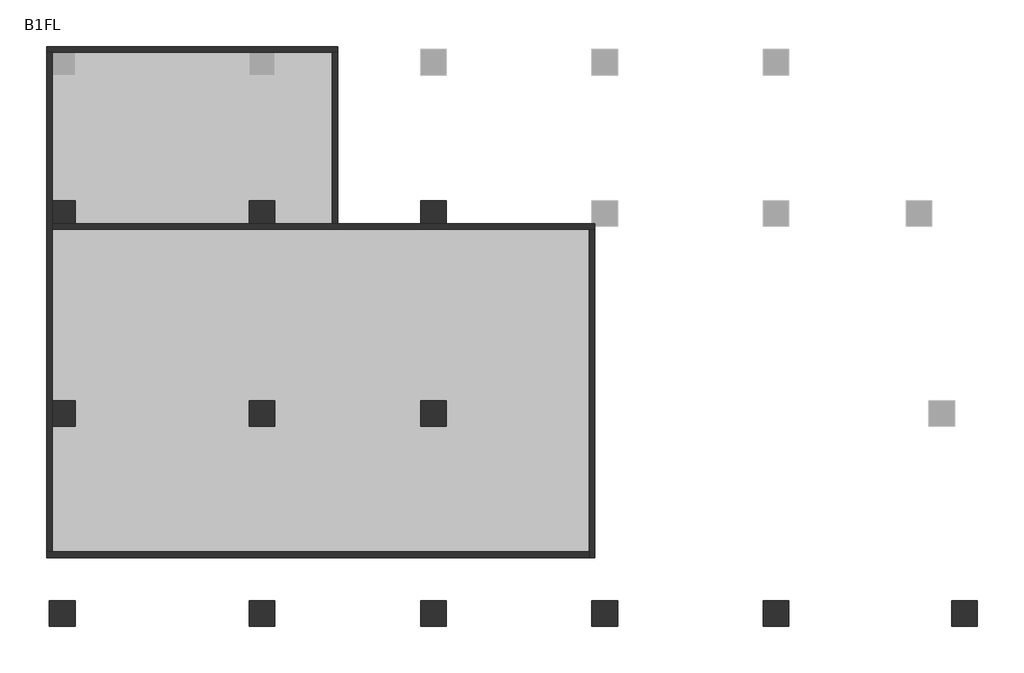
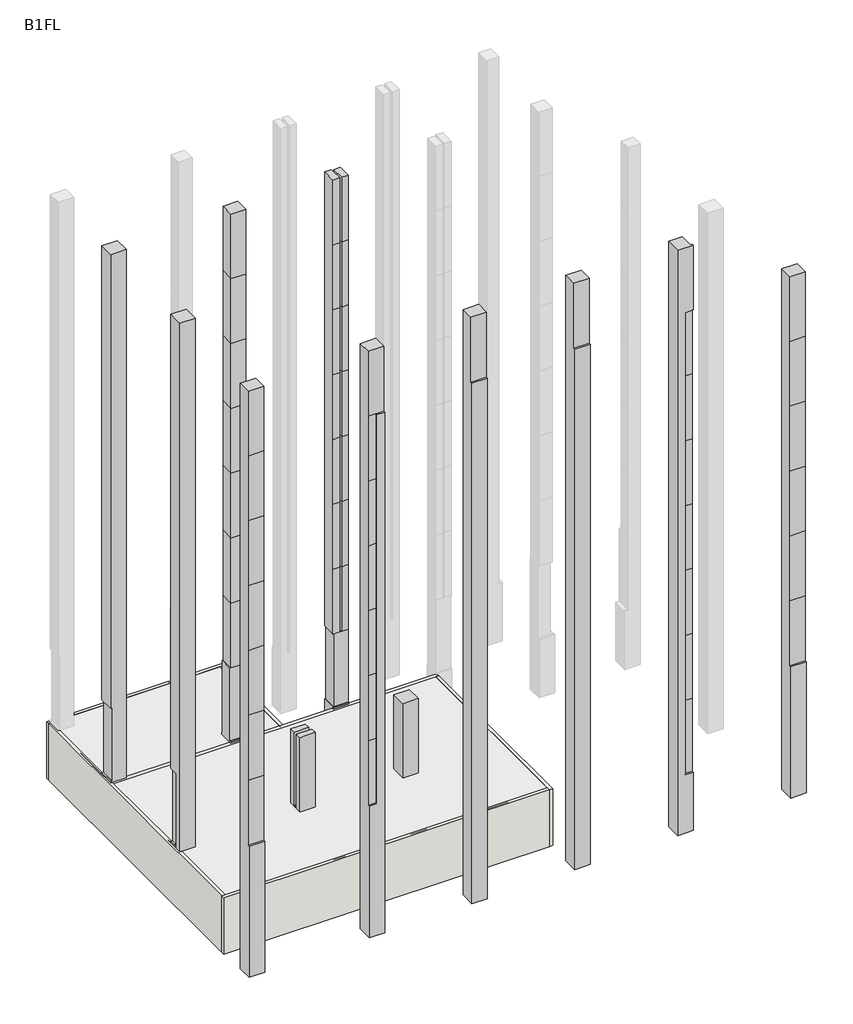
# One storey, part 1 of 2: 12 columns, 6 walls.
"""IFC4 building model written with IfcOpenShell, lengths in millimetres."""

from ifc_helpers import new_model, si_unit, frame, origin, place, context, project, spatial, polyline, outline, extrude, faceted_brep, element, save

model = new_model("IFC4")

# Units and contexts
model_context = context("Model", 3, world=origin())
ifc_project = project(units=[si_unit("LENGTHUNIT", "METRE", prefix="MILLI")], contexts=[model_context])

# Site, building, storey
site = spatial("IfcSite", under=ifc_project)
building = spatial("IfcBuilding", under=site)
storey = spatial("IfcBuildingStorey", under=building, Name="B1FL", Elevation=-3500.0)

# Columns
placement = place(None, origin())
element("IfcColumn", 1, ObjectType="900x900", at=placement, inside=storey, context=model_context, shape_type="Brep", body=[
    faceted_brep([(-27945.9784025, 10449.6868987, 32600.0), (-27945.9784025, 11349.6868987, 32600.0), (-28845.9784025, 11349.6868987, 32600.0), (-28845.9784025, 10449.6868987, 32600.0), (-28745.9784025, 11349.6868987, -3500.0), (-27945.9784025, 11349.6868987, -3500.0), (-27945.9784025, 10549.6868987, -3500.0), (-28745.9784025, 10549.6868987, -3500.0), (-27945.9784025, 10449.6868987, 0.0), (-27945.9784025, 10549.6868987, 0.0), (-27945.9784025, 11349.6868987, 100.0), (-27945.9784025, 11299.6868987, 100.0), (-27945.9784025, 11299.6868987, 4600.0), (-27945.9784025, 11349.6868987, 4600.0), (-28745.9784025, 11349.6868987, 4600.0), (-28845.9784025, 11349.6868987, 4600.0), (-28845.9784025, 10449.6868987, 4600.0), (-28745.9784025, 10449.6868987, 4600.0), (-28745.9784025, 10449.6868987, 100.0), (-28845.9784025, 10449.6868987, 100.0), (-28845.9784025, 10449.6868987, 0.0), (-28745.9784025, 10449.6868987, 0.0), (-28745.9784025, 11299.6868987, 4600.0), (-28745.9784025, 11299.6868987, 100.0), (-28745.9784025, 11349.6868987, 100.0), (-28845.9784025, 11349.6868987, 100.0), (-28845.9784025, 11349.6868987, 0.0), (-28845.9784025, 10549.6868987, 0.0), (-28745.9784025, 11349.6868987, 0.0), (-28745.9784025, 10549.6868987, 0.0)], [[[0, 1, 2, 3]], [[4, 5, 6, 7]], [[1, 0, 8, 9, 6, 5, 10, 11, 12, 13]], [[2, 1, 13, 14, 15]], [[3, 2, 15, 16]], [[0, 3, 16, 17, 18, 19, 20, 21, 8]], [[18, 17, 22, 23]], [[24, 25, 19, 18, 23]], [[15, 14, 22, 17, 16]], [[19, 25, 26, 27, 20]], [[11, 23, 22, 12]], [[23, 11, 10, 24]], [[12, 22, 14, 13]], [[25, 24, 10, 5, 4, 28, 26]], [[28, 4, 7, 29]], [[21, 20, 27, 26, 28, 29]], [[9, 29, 7, 6]], [[29, 9, 8, 21]]]),
])
element("IfcColumn", 2, ObjectType="900x900", at=placement, inside=storey, context=model_context, shape_type="Brep", body=[
    faceted_brep([(-27945.9784025, 3449.6868987, 32600.0), (-27945.9784025, 4349.6868987, 32600.0), (-28845.9784025, 4349.6868987, 32600.0), (-28845.9784025, 3449.6868987, 32600.0), (-27945.9784025, 4349.6868987, -3500.0), (-27945.9784025, 3449.6868987, -3500.0), (-28745.9784025, 3449.6868987, -3500.0), (-28745.9784025, 4349.6868987, -3500.0), (-27945.9784025, 3999.6868987, 4600.0), (-27945.9784025, 3999.6868987, 100.0), (-27945.9784025, 3799.6868987, 100.0), (-27945.9784025, 3799.6868987, 4600.0), (-28745.9784025, 4349.6868987, 0.0), (-28845.9784025, 4349.6868987, 0.0), (-28845.9784025, 4349.6868987, 100.0), (-28745.9784025, 4349.6868987, 100.0), (-28745.9784025, 4349.6868987, 4600.0), (-28845.9784025, 4349.6868987, 4600.0), (-28845.9784025, 3999.6868987, 4600.0), (-28845.9784025, 3799.6868987, 4600.0), (-28845.9784025, 3799.6868987, 100.0), (-28845.9784025, 3999.6868987, 100.0), (-28845.9784025, 3449.6868987, 0.0), (-28745.9784025, 3449.6868987, 0.0), (-28745.9784025, 3999.6868987, 4600.0), (-28745.9784025, 3999.6868987, 100.0)], [[[0, 1, 2, 3]], [[4, 5, 6, 7]], [[1, 0, 5, 4], [8, 9, 10, 11]], [[2, 1, 4, 7, 12, 13, 14, 15, 16, 17]], [[3, 2, 17, 18, 19, 20, 21, 14, 13, 22]], [[0, 3, 22, 23, 6, 5]], [[9, 8, 24, 25]], [[11, 10, 20, 19]], [[10, 9, 25, 21, 20]], [[8, 11, 19, 18, 24]], [[24, 16, 15, 25]], [[25, 15, 14, 21]], [[16, 24, 18, 17]], [[23, 12, 7, 6]], [[12, 23, 22, 13]]]),
])
element("IfcColumn", 3, ObjectType="900x900", at=placement, inside=storey, context=model_context, shape_type="SweptSolid", body=[
    extrude(outline(polyline([(-2650.3131013, -3500.0), (-3550.3131013, -3500.0), (-3550.3131013, 4600.0), (-3450.3131013, 4600.0), (-3450.3131013, 8600.0), (-3450.3131013, 12600.0), (-3450.3131013, 16600.0), (-3450.3131013, 20600.0), (-3450.3131013, 24600.0), (-3450.3131013, 28600.0), (-3450.3131013, 32600.0), (-2650.3131013, 32600.0), (-2650.3131013, -3500.0)])), frame((-28845.9784025, 0.0, 0.0), z_axis=(1.0, 0.0, 0.0), x_axis=(0.0, 1.0, 0.0)), (0.0, 0.0, 1.0), 900.0),
])
element("IfcColumn", 4, ObjectType="900x900", at=placement, inside=storey, context=model_context, shape_type="Brep", body=[
    faceted_brep([(-21795.9784025, 11299.6868987, 32600.0), (-21795.9784025, 10499.6868987, 32600.0), (-20945.9784025, 10499.6868987, 32600.0), (-20945.9784025, 11299.6868987, 32600.0), (-21845.9784025, 11349.6868987, -3500.0), (-20945.9784025, 11349.6868987, -3500.0), (-20945.9784025, 10549.6868987, -3500.0), (-21845.9784025, 10549.6868987, -3500.0), (-20945.9784025, 10499.6868987, 12600.0), (-20945.9784025, 10499.6868987, 8600.0), (-20945.9784025, 10499.6868987, 4600.0), (-20945.9784025, 10524.6868987, 4600.0), (-20945.9784025, 11299.6868987, 4600.0), (-20945.9784025, 11299.6868987, 8600.0), (-20945.9784025, 11299.6868987, 12600.0), (-20945.9784025, 11299.6868987, 16600.0), (-20945.9784025, 11299.6868987, 20600.0), (-20945.9784025, 11299.6868987, 24600.0), (-20945.9784025, 11299.6868987, 28600.0), (-20945.9784025, 10499.6868987, 28600.0), (-20945.9784025, 10499.6868987, 24600.0), (-20945.9784025, 10499.6868987, 20600.0), (-20945.9784025, 10499.6868987, 16600.0), (-21795.9784025, 10499.6868987, 12600.0), (-21795.9784025, 10499.6868987, 8600.0), (-20945.9784025, 10449.6868987, 100.0), (-21845.9784025, 10449.6868987, 100.0), (-21845.9784025, 10449.6868987, 0.0), (-20945.9784025, 10449.6868987, 0.0), (-21795.9784025, 11299.6868987, 12600.0), (-21795.9784025, 11299.6868987, 8600.0), (-21845.9784025, 10524.6868987, 100.0), (-21845.9784025, 10524.6868987, 4600.0), (-21845.9784025, 11299.6868987, 4600.0), (-21845.9784025, 11299.6868987, 100.0), (-21845.9784025, 11349.6868987, 100.0), (-21845.9784025, 10549.6868987, 0.0), (-20945.9784025, 11349.6868987, 100.0), (-21795.9784025, 10499.6868987, 4600.0), (-21795.9784025, 11299.6868987, 4600.0), (-21795.9784025, 10524.6868987, 4600.0), (-20995.9784025, 11299.6868987, 4600.0), (-21795.9784025, 10499.6868987, 16600.0), (-21795.9784025, 11299.6868987, 16600.0), (-21795.9784025, 10499.6868987, 20600.0), (-21795.9784025, 11299.6868987, 20600.0), (-21795.9784025, 10499.6868987, 24600.0), (-21795.9784025, 11299.6868987, 24600.0), (-21795.9784025, 10499.6868987, 28600.0), (-21795.9784025, 11299.6868987, 28600.0), (-20995.9784025, 10524.6868987, 100.0), (-20995.9784025, 10524.6868987, 4600.0), (-20945.9784025, 10524.6868987, 100.0), (-20995.9784025, 11299.6868987, 100.0), (-20945.9784025, 11299.6868987, 100.0), (-20945.9784025, 10549.6868987, 0.0)], [[[0, 1, 2, 3]], [[4, 5, 6, 7]], [[8, 9, 10, 11, 12, 13, 14, 15, 16, 17, 18, 3, 2, 19, 20, 21, 22]], [[9, 8, 23, 24]], [[25, 26, 27, 28]], [[24, 23, 29, 30]], [[31, 32, 33, 34, 35, 4, 7, 36, 27, 26]], [[14, 13, 30, 29]], [[5, 4, 35, 37]], [[10, 9, 24, 38]], [[24, 30, 39, 40, 38]], [[40, 39, 33, 32]], [[13, 12, 41, 39, 30]], [[8, 22, 42, 23]], [[29, 23, 42, 43]], [[15, 14, 29, 43]], [[22, 21, 44, 42]], [[43, 42, 44, 45]], [[16, 15, 43, 45]], [[21, 20, 46, 44]], [[45, 44, 46, 47]], [[17, 16, 45, 47]], [[20, 19, 48, 46]], [[47, 46, 48, 49]], [[18, 17, 47, 49]], [[49, 48, 1, 0]], [[0, 3, 18, 49]], [[2, 1, 48, 19]], [[32, 31, 50, 51, 40]], [[25, 52, 50, 31, 26]], [[11, 10, 38, 40, 51]], [[34, 33, 39, 41, 53]], [[54, 37, 35, 34, 53]], [[50, 53, 41, 51]], [[53, 50, 52, 54]], [[51, 41, 12, 11]], [[52, 25, 28, 55, 6, 5, 37, 54]], [[55, 36, 7, 6]], [[36, 55, 28, 27]]]),
])
element("IfcColumn", 5, ObjectType="900x900", at=placement, inside=storey, context=model_context, shape_type="Brep", body=[
    faceted_brep([(-21845.9784025, 3449.6868987, 4600.0), (-20945.9784025, 3449.6868987, 4600.0), (-20945.9784025, 3799.6868987, 4600.0), (-21845.9784025, 3799.6868987, 4600.0), (-20945.9784025, 3449.6868987, -3500.0), (-21845.9784025, 3449.6868987, -3500.0), (-21845.9784025, 4349.6868987, -3500.0), (-20945.9784025, 4349.6868987, -3500.0), (-20945.9784025, 4349.6868987, 100.0), (-20945.9784025, 3999.6868987, 100.0), (-20945.9784025, 3799.6868987, 100.0), (-21845.9784025, 4349.6868987, 4600.0), (-21020.9784025, 4349.6868987, 4600.0), (-21020.9784025, 4349.6868987, 100.0), (-21845.9784025, 3799.6868987, 100.0), (-21845.9784025, 3999.6868987, 100.0), (-21845.9784025, 3999.6868987, 4600.0), (-21020.9784025, 3999.6868987, 100.0), (-21020.9784025, 3999.6868987, 4600.0)], [[[0, 1, 2, 3]], [[4, 5, 6, 7]], [[4, 7, 8, 9, 10, 2, 1]], [[7, 6, 11, 12, 13, 8]], [[6, 5, 0, 3, 14, 15, 16, 11]], [[1, 0, 5, 4]], [[16, 15, 17, 18]], [[3, 2, 10, 14]], [[10, 9, 17, 15, 14]], [[11, 16, 18, 12]], [[17, 13, 12, 18]], [[13, 17, 9, 8]]]),
])
element("IfcColumn", 6, ObjectType="900x900", at=placement, inside=storey, context=model_context, shape_type="Brep", body=[
    faceted_brep([(-20945.9784025, -2650.3131013, 32600.0), (-21845.9784025, -2650.3131013, 32600.0), (-21845.9784025, -3450.3131013, 32600.0), (-20945.9784025, -3450.3131013, 32600.0), (-20945.9784025, -3550.3131013, -3500.0), (-21845.9784025, -3550.3131013, -3500.0), (-21845.9784025, -2650.3131013, -3500.0), (-20945.9784025, -2650.3131013, -3500.0), (-20945.9784025, -3450.3131013, 28600.0), (-20945.9784025, -3550.3131013, 28600.0), (-21845.9784025, -3550.3131013, 4600.0), (-21845.9784025, -3450.3131013, 4600.0), (-21845.9784025, -3450.3131013, 8600.0), (-21845.9784025, -3450.3131013, 12600.0), (-21845.9784025, -3450.3131013, 16600.0), (-21845.9784025, -3450.3131013, 20600.0), (-21845.9784025, -3450.3131013, 24600.0), (-21845.9784025, -3450.3131013, 28600.0), (-21395.9784025, -3550.3131013, 28600.0), (-21395.9784025, -3550.3131013, 24600.0), (-21395.9784025, -3550.3131013, 20600.0), (-21395.9784025, -3550.3131013, 16600.0), (-21395.9784025, -3550.3131013, 12600.0), (-21395.9784025, -3550.3131013, 8600.0), (-21395.9784025, -3550.3131013, 4600.0), (-21395.9784025, -3450.3131013, 8600.0), (-21395.9784025, -3450.3131013, 12600.0), (-21395.9784025, -3450.3131013, 16600.0), (-21395.9784025, -3450.3131013, 20600.0), (-21395.9784025, -3450.3131013, 24600.0), (-21395.9784025, -3450.3131013, 28600.0), (-21395.9784025, -3450.3131013, 4600.0)], [[[0, 1, 2, 3]], [[4, 5, 6, 7]], [[4, 7, 0, 3, 8, 9]], [[1, 0, 7, 6]], [[6, 5, 10, 11, 12, 13, 14, 15, 16, 17, 2, 1]], [[5, 4, 9, 18, 19, 20, 21, 22, 23, 24, 10]], [[25, 26, 13, 12]], [[26, 25, 23, 22]], [[26, 27, 14, 13]], [[27, 26, 22, 21]], [[27, 28, 15, 14]], [[28, 27, 21, 20]], [[28, 29, 16, 15]], [[29, 28, 20, 19]], [[29, 30, 17, 16]], [[30, 29, 19, 18]], [[31, 25, 12, 11]], [[31, 11, 10, 24]], [[25, 31, 24, 23]], [[30, 8, 3, 2, 17]], [[8, 30, 18, 9]]]),
])
element("IfcColumn", 7, ObjectType="900x900", at=placement, inside=storey, context=model_context, shape_type="Brep", body=[
    faceted_brep([(-15345.9784025, 11299.6868987, 32600.0), (-15345.9784025, 10499.6868987, 32600.0), (-14945.9784025, 10499.6868987, 32600.0), (-14945.9784025, 11299.6868987, 32600.0), (-15845.9784025, 11349.6868987, -3500.0), (-14945.9784025, 11349.6868987, -3500.0), (-14945.9784025, 10549.6868987, -3500.0), (-15845.9784025, 10549.6868987, -3500.0), (-14945.9784025, 10499.6868987, 12600.0), (-14945.9784025, 10499.6868987, 8600.0), (-14945.9784025, 10499.6868987, 4600.0), (-14945.9784025, 10524.6868987, 4600.0), (-14945.9784025, 10524.6868987, 100.0), (-14945.9784025, 10449.6868987, 100.0), (-14945.9784025, 10449.6868987, 0.0), (-14945.9784025, 10549.6868987, 0.0), (-14945.9784025, 11349.6868987, 100.0), (-14945.9784025, 11299.6868987, 100.0), (-14945.9784025, 11299.6868987, 4600.0), (-14945.9784025, 11299.6868987, 8600.0), (-14945.9784025, 11299.6868987, 12600.0), (-14945.9784025, 11299.6868987, 16600.0), (-14945.9784025, 11299.6868987, 20600.0), (-14945.9784025, 11299.6868987, 24600.0), (-14945.9784025, 11299.6868987, 28600.0), (-14945.9784025, 10499.6868987, 28600.0), (-14945.9784025, 10499.6868987, 24600.0), (-14945.9784025, 10499.6868987, 20600.0), (-14945.9784025, 10499.6868987, 16600.0), (-15845.9784025, 10499.6868987, 8600.0), (-15845.9784025, 10499.6868987, 12600.0), (-15845.9784025, 10499.6868987, 16600.0), (-15845.9784025, 10499.6868987, 20600.0), (-15845.9784025, 10499.6868987, 24600.0), (-15845.9784025, 10499.6868987, 28600.0), (-15845.9784025, 10499.6868987, 32600.0), (-15845.9784025, 11349.6868987, 32600.0), (-15845.9784025, 11349.6868987, 4600.0), (-15845.9784025, 11299.6868987, 4600.0), (-15845.9784025, 10524.6868987, 4600.0), (-15845.9784025, 10499.6868987, 4600.0), (-15345.9784025, 10499.6868987, 12600.0), (-15345.9784025, 10499.6868987, 8600.0), (-15845.9784025, 10449.6868987, 100.0), (-15845.9784025, 10449.6868987, 0.0), (-15345.9784025, 11299.6868987, 12600.0), (-15345.9784025, 11299.6868987, 8600.0), (-15445.9784025, 11349.6868987, 8600.0), (-15445.9784025, 11349.6868987, 12600.0), (-15445.9784025, 10499.6868987, 12600.0), (-15445.9784025, 10499.6868987, 8600.0), (-15345.9784025, 10499.6868987, 4600.0), (-15345.9784025, 11299.6868987, 4600.0), (-15345.9784025, 10524.6868987, 4600.0), (-15445.9784025, 11349.6868987, 4600.0), (-15445.9784025, 10499.6868987, 4600.0), (-15445.9784025, 10524.6868987, 4600.0), (-15445.9784025, 11299.6868987, 4600.0), (-15345.9784025, 10499.6868987, 16600.0), (-15345.9784025, 11299.6868987, 16600.0), (-15445.9784025, 11349.6868987, 16600.0), (-15445.9784025, 10499.6868987, 16600.0), (-15345.9784025, 10499.6868987, 20600.0), (-15345.9784025, 11299.6868987, 20600.0), (-15445.9784025, 11349.6868987, 20600.0), (-15445.9784025, 10499.6868987, 20600.0), (-15345.9784025, 10499.6868987, 24600.0), (-15345.9784025, 11299.6868987, 24600.0), (-15445.9784025, 11349.6868987, 24600.0), (-15445.9784025, 10499.6868987, 24600.0), (-15345.9784025, 10499.6868987, 28600.0), (-15345.9784025, 11299.6868987, 28600.0), (-15445.9784025, 11349.6868987, 28600.0), (-15445.9784025, 10499.6868987, 28600.0), (-15445.9784025, 11349.6868987, 32600.0), (-15445.9784025, 10499.6868987, 32600.0), (-15795.9784025, 10524.6868987, 4600.0), (-15795.9784025, 10524.6868987, 100.0), (-15845.9784025, 10524.6868987, 100.0), (-15795.9784025, 11299.6868987, 4600.0), (-15795.9784025, 11299.6868987, 100.0), (-15845.9784025, 11299.6868987, 100.0), (-15845.9784025, 11349.6868987, 100.0), (-15845.9784025, 10549.6868987, 0.0)], [[[0, 1, 2, 3]], [[4, 5, 6, 7]], [[8, 9, 10, 11, 12, 13, 14, 15, 6, 5, 16, 17, 18, 19, 20, 21, 22, 23, 24, 3, 2, 25, 26, 27, 28]], [[29, 30, 31, 32, 33, 34, 35, 36, 37, 38, 39, 40]], [[9, 8, 41, 42]], [[13, 43, 44, 14]], [[42, 41, 45, 46]], [[47, 48, 49, 50]], [[30, 29, 50, 49]], [[20, 19, 46, 45]], [[10, 9, 42, 51]], [[42, 46, 52, 53, 51]], [[54, 47, 50, 55, 56, 57]], [[53, 52, 57, 56]], [[29, 40, 55, 50]], [[19, 18, 52, 46]], [[8, 28, 58, 41]], [[45, 41, 58, 59]], [[48, 60, 61, 49]], [[31, 30, 49, 61]], [[21, 20, 45, 59]], [[28, 27, 62, 58]], [[59, 58, 62, 63]], [[60, 64, 65, 61]], [[32, 31, 61, 65]], [[22, 21, 59, 63]], [[27, 26, 66, 62]], [[63, 62, 66, 67]], [[64, 68, 69, 65]], [[33, 32, 65, 69]], [[23, 22, 63, 67]], [[26, 25, 70, 66]], [[67, 66, 70, 71]], [[68, 72, 73, 69]], [[34, 33, 69, 73]], [[24, 23, 67, 71]], [[71, 70, 1, 0]], [[74, 75, 73, 72]], [[48, 47, 54, 37, 36, 74, 72, 68, 64, 60]], [[0, 3, 24, 71]], [[2, 1, 70, 25]], [[74, 36, 35, 75]], [[75, 35, 34, 73]], [[11, 53, 56, 76, 77, 12]], [[13, 12, 77, 78, 43]], [[40, 39, 76, 56, 55]], [[53, 11, 10, 51]], [[76, 79, 80, 77]], [[77, 80, 81, 78]], [[79, 76, 39, 38]], [[79, 57, 52, 18, 17, 80]], [[80, 17, 16, 82, 81]], [[57, 79, 38, 37, 54]], [[43, 78, 81, 82, 4, 7, 83, 44]], [[5, 4, 82, 16]], [[15, 83, 7, 6]], [[83, 15, 14, 44]]]),
])
element("IfcColumn", 8, ObjectType="900x900", at=placement, inside=storey, context=model_context, shape_type="SweptSolid", body=[
    extrude(outline(polyline([(-14945.9784025, 3449.6868987), (-15845.9784025, 3449.6868987), (-15845.9784025, 4349.6868987), (-14945.9784025, 4349.6868987), (-14945.9784025, 3449.6868987)])), frame((0.0, 0.0, -3500.0), z_axis=(0.0, 0.0, 1.0), x_axis=(1.0, 0.0, 0.0)), (0.0, 0.0, 1.0), 8100.0),
])
element("IfcColumn", 9, ObjectType="900x900", at=placement, inside=storey, context=model_context, shape_type="SweptSolid", body=[
    extrude(outline(polyline([(-2650.3131013, -3500.0), (-3550.3131013, -3500.0), (-3550.3131013, 28600.0), (-3450.3131013, 28600.0), (-3450.3131013, 32600.0), (-2650.3131013, 32600.0), (-2650.3131013, -3500.0)])), frame((-15845.9784025, 0.0, 0.0), z_axis=(1.0, 0.0, 0.0), x_axis=(0.0, 1.0, 0.0)), (0.0, 0.0, 1.0), 900.0),
])
element("IfcColumn", 10, ObjectType="900x900", at=placement, inside=storey, context=model_context, shape_type="SweptSolid", body=[
    extrude(outline(polyline([(-2650.3131013, -3500.0), (-3550.3131013, -3500.0), (-3550.3131013, 28600.0), (-3450.3131013, 28600.0), (-3450.3131013, 32600.0), (-2650.3131013, 32600.0), (-2650.3131013, -3500.0)])), frame((-9845.9784025, 0.0, 0.0), z_axis=(1.0, 0.0, 0.0), x_axis=(0.0, 1.0, 0.0)), (0.0, 0.0, 1.0), 900.0),
])
element("IfcColumn", 11, ObjectType="900x900", at=placement, inside=storey, context=model_context, shape_type="Brep", body=[
    faceted_brep([(-3845.9784025, -2650.3131013, 32600.0), (-3845.9784025, -3550.3131013, 32600.0), (-2945.9784025, -3550.3131013, 32600.0), (-2945.9784025, -3450.3131013, 32600.0), (-3045.9784025, -3450.3131013, 32600.0), (-3045.9784025, -2650.3131013, 32600.0), (-2945.9784025, -3550.3131013, -3500.0), (-3845.9784025, -3550.3131013, -3500.0), (-3845.9784025, -2650.3131013, -3500.0), (-2945.9784025, -2650.3131013, -3500.0), (-2945.9784025, -3550.3131013, 28600.0), (-2945.9784025, -3450.3131013, 28600.0), (-3045.9784025, -2650.3131013, 28600.0), (-2945.9784025, -2650.3131013, 28600.0), (-2945.9784025, -3550.3131013, 100.0), (-3395.9784025, -3550.3131013, 100.0), (-3395.9784025, -3550.3131013, 4600.0), (-3395.9784025, -3550.3131013, 8600.0), (-3395.9784025, -3550.3131013, 12600.0), (-3395.9784025, -3550.3131013, 16600.0), (-3395.9784025, -3550.3131013, 20600.0), (-3395.9784025, -3550.3131013, 24600.0), (-3395.9784025, -3550.3131013, 28600.0), (-3395.9784025, -3450.3131013, 12600.0), (-3395.9784025, -3450.3131013, 8600.0), (-2945.9784025, -3450.3131013, 8600.0), (-2945.9784025, -3450.3131013, 12600.0), (-3395.9784025, -3450.3131013, 16600.0), (-2945.9784025, -3450.3131013, 16600.0), (-3395.9784025, -3450.3131013, 20600.0), (-2945.9784025, -3450.3131013, 20600.0), (-3395.9784025, -3450.3131013, 24600.0), (-2945.9784025, -3450.3131013, 24600.0), (-3395.9784025, -3450.3131013, 28600.0), (-3045.9784025, -3450.3131013, 28600.0), (-3045.9784025, -3450.3131013, 28600.0), (-3395.9784025, -3450.3131013, 100.0), (-2945.9784025, -3450.3131013, 100.0), (-2945.9784025, -3450.3131013, 4600.0), (-3395.9784025, -3450.3131013, 4600.0)], [[[0, 1, 2, 3, 4, 5]], [[6, 7, 8, 9]], [[2, 10, 11, 3]], [[9, 8, 0, 5, 12, 13]], [[1, 0, 8, 7]], [[2, 1, 7, 6, 14, 15, 16, 17, 18, 19, 20, 21, 22, 10]], [[23, 24, 25, 26]], [[27, 23, 26, 28]], [[29, 27, 28, 30]], [[31, 29, 30, 32]], [[33, 31, 32, 11, 34]], [[11, 10, 22, 33, 34]], [[5, 4, 35, 12]], [[11, 13, 12, 35]], [[36, 37, 38, 39]], [[37, 36, 15, 14]], [[24, 23, 18, 17]], [[23, 27, 19, 18]], [[27, 29, 20, 19]], [[29, 31, 21, 20]], [[31, 33, 22, 21]], [[24, 39, 38, 25]], [[39, 24, 17, 16]], [[36, 39, 16, 15]], [[35, 4, 3, 11]], [[6, 9, 13, 11, 32, 30, 28, 26, 25, 38, 37, 14]]]),
])
element("IfcColumn", 12, ObjectType="900x900", at=placement, inside=storey, context=model_context, shape_type="SweptSolid", body=[
    extrude(outline(polyline([(-2650.3131013, -3500.0), (-3550.3131013, -3500.0), (-3550.3131013, 4600.0), (-3450.3131013, 4600.0), (-3450.3131013, 8600.0), (-3450.3131013, 12600.0), (-3450.3131013, 16600.0), (-3450.3131013, 20600.0), (-3450.3131013, 24600.0), (-3450.3131013, 28600.0), (-2650.3131013, 28600.0), (-2650.3131013, -3500.0)])), frame((2754.0215975, 0.0, 0.0), z_axis=(1.0, 0.0, 0.0), x_axis=(0.0, 1.0, 0.0)), (0.0, 0.0, 1.0), 900.0),
])

# Walls
element("IfcWall", 13, at=placement, inside=storey, context=model_context, shape_type="Brep", body=[
    faceted_brep([(-28945.9784025, 16549.6868987, -3500.0), (-28745.9784025, 16549.6868987, -3500.0), (-27945.9784025, 16549.6868987, -3500.0), (-21845.9784025, 16549.6868987, -3500.0), (-20945.9784025, 16549.6868987, -3500.0), (-18945.9784025, 16549.6868987, -3500.0), (-18745.9784025, 16549.6868987, -3500.0), (-18745.9784025, 16549.6868987, 0.0), (-18945.9784025, 16549.6868987, 0.0), (-20945.9784025, 16549.6868987, 0.0), (-21845.9784025, 16549.6868987, 0.0), (-27945.9784025, 16549.6868987, 0.0), (-28745.9784025, 16549.6868987, 0.0), (-28945.9784025, 16549.6868987, 0.0), (-28945.9784025, 16749.6868987, -3500.0), (-28945.9784025, 16749.6868987, 0.0), (-18745.9784025, 16749.6868987, 0.0), (-18745.9784025, 16749.6868987, -3500.0)], [[[0, 1, 2, 3, 4, 5, 6, 7, 8, 9, 10, 11, 12, 13]], [[14, 15, 16, 17]], [[6, 5, 4, 3, 2, 1, 0, 14, 17]], [[13, 12, 11, 10, 9, 8, 7, 16, 15]], [[7, 6, 17, 16]], [[0, 13, 15, 14]]]),
])
element("IfcWall", 14, at=placement, inside=storey, context=model_context, shape_type="SweptSolid", body=[
    extrude(outline(polyline([(-18945.9784025, 10449.6868987), (-18945.9784025, 16549.6868987), (-18745.9784025, 16549.6868987), (-18745.9784025, 10449.6868987), (-18945.9784025, 10449.6868987)])), frame((0.0, 0.0, -3500.0), z_axis=(0.0, 0.0, 1.0), x_axis=(1.0, 0.0, 0.0)), (0.0, 0.0, 1.0), 3500.0),
])
element("IfcWall", 15, at=placement, inside=storey, context=model_context, shape_type="Brep", body=[
    faceted_brep([(-28845.9784025, 10349.6868987, -3500.0), (-9945.9784025, 10349.6868987, -3500.0), (-9745.9784025, 10349.6868987, -3500.0), (-9745.9784025, 10349.6868987, 0.0), (-9945.9784025, 10349.6868987, 0.0), (-28845.9784025, 10349.6868987, 0.0), (-28845.9784025, 10549.6868987, -3500.0), (-28845.9784025, 10549.6868987, 0.0), (-28745.9784025, 10549.6868987, 0.0), (-27945.9784025, 10549.6868987, 0.0), (-21845.9784025, 10549.6868987, 0.0), (-20945.9784025, 10549.6868987, 0.0), (-15845.9784025, 10549.6868987, 0.0), (-14945.9784025, 10549.6868987, 0.0), (-9845.9784025, 10549.6868987, 0.0), (-9745.9784025, 10549.6868987, 0.0), (-9745.9784025, 10549.6868987, -3500.0), (-9845.9784025, 10549.6868987, -3500.0), (-14945.9784025, 10549.6868987, -3500.0), (-15845.9784025, 10549.6868987, -3500.0), (-20945.9784025, 10549.6868987, -3500.0), (-21845.9784025, 10549.6868987, -3500.0), (-27945.9784025, 10549.6868987, -3500.0), (-28745.9784025, 10549.6868987, -3500.0), (-9745.9784025, 10449.6868987, -3500.0), (-9745.9784025, 10449.6868987, 0.0), (-28845.9784025, 10449.6868987, 0.0)], [[[0, 1, 2, 3, 4, 5]], [[6, 7, 8, 9, 10, 11, 12, 13, 14, 15, 16, 17, 18, 19, 20, 21, 22, 23]], [[2, 1, 0, 6, 23, 22, 21, 20, 19, 18, 17, 16, 24]], [[5, 4, 3, 25, 15, 14, 13, 12, 11, 10, 9, 8, 7, 26]], [[0, 5, 26, 7, 6]], [[3, 2, 24, 16, 15, 25]]]),
])
element("IfcWall", 16, at=placement, inside=storey, context=model_context, shape_type="Brep", body=[
    faceted_brep([(-9945.9784025, 10349.6868987, -3500.0), (-9945.9784025, -950.3131013, -3500.0), (-9945.9784025, -1150.3131013, -3500.0), (-9945.9784025, -1150.3131013, 0.0), (-9945.9784025, -950.3131013, 0.0), (-9945.9784025, 10349.6868987, 0.0), (-9745.9784025, 10349.6868987, -3500.0), (-9745.9784025, 10349.6868987, 0.0), (-9745.9784025, -1150.3131013, 0.0), (-9745.9784025, -1150.3131013, -3500.0)], [[[0, 1, 2, 3, 4, 5]], [[6, 7, 8, 9]], [[2, 1, 0, 6, 9]], [[5, 4, 3, 8, 7]], [[0, 5, 7, 6]], [[3, 2, 9, 8]]]),
])
element("IfcWall", 17, at=placement, inside=storey, context=model_context, shape_type="Brep", body=[
    faceted_brep([(-9945.9784025, -950.3131013, -3500.0), (-28745.9784025, -950.3131013, -3500.0), (-28945.9784025, -950.3131013, -3500.0), (-28945.9784025, -950.3131013, 0.0), (-28745.9784025, -950.3131013, 0.0), (-9945.9784025, -950.3131013, 0.0), (-9945.9784025, -1150.3131013, -3500.0), (-9945.9784025, -1150.3131013, 0.0), (-28945.9784025, -1150.3131013, 0.0), (-28945.9784025, -1150.3131013, -3500.0)], [[[0, 1, 2, 3, 4, 5]], [[6, 7, 8, 9]], [[2, 1, 0, 6, 9]], [[5, 4, 3, 8, 7]], [[0, 5, 7, 6]], [[3, 2, 9, 8]]]),
])
element("IfcWall", 18, at=placement, inside=storey, context=model_context, shape_type="Brep", body=[
    faceted_brep([(-28745.9784025, -950.3131013, -3500.0), (-28745.9784025, 3449.6868987, -3500.0), (-28745.9784025, 4349.6868987, -3500.0), (-28745.9784025, 10549.6868987, -3500.0), (-28745.9784025, 11349.6868987, -3500.0), (-28745.9784025, 15749.6868987, -3500.0), (-28745.9784025, 16549.6868987, -3500.0), (-28745.9784025, 16549.6868987, 0.0), (-28745.9784025, 15749.6868987, 0.0), (-28745.9784025, 11349.6868987, 0.0), (-28745.9784025, 10549.6868987, 0.0), (-28745.9784025, 4349.6868987, 0.0), (-28745.9784025, 3449.6868987, 0.0), (-28745.9784025, -950.3131013, 0.0), (-28945.9784025, -950.3131013, -3500.0), (-28945.9784025, -950.3131013, 0.0), (-28945.9784025, 16549.6868987, 0.0), (-28945.9784025, 16549.6868987, -3500.0)], [[[0, 1, 2, 3, 4, 5, 6, 7, 8, 9, 10, 11, 12, 13]], [[14, 15, 16, 17]], [[6, 5, 4, 3, 2, 1, 0, 14, 17]], [[13, 12, 11, 10, 9, 8, 7, 16, 15]], [[7, 6, 17, 16]], [[0, 13, 15, 14]]]),
])

save(model, "model.ifc")
